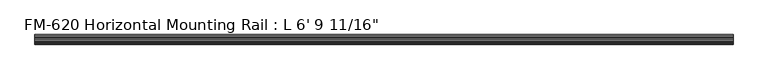
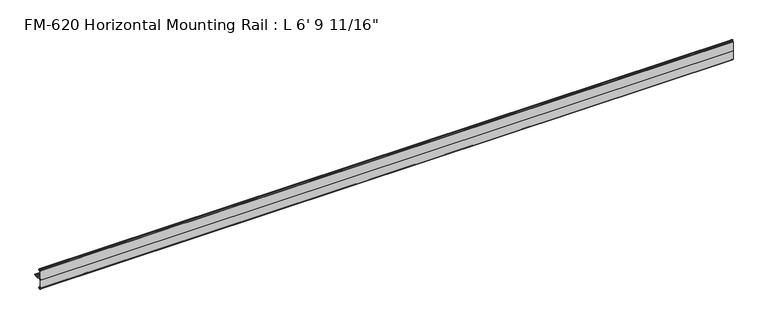
"""IFC4 building model written with IfcOpenShell, lengths in millimetres: proxy geometry."""

from ifc_helpers import new_model, si_unit, frame, origin, place, context, project, spatial, polyline, circle_curve, source, transform, mapped, element, save
from ifc_brep_helpers import plane_surface, cylinder_surface, revolved_surface, advanced_brep


def proxy_b53dea0b(model_context):
    return source(origin(), model_context, "Body", "AdvancedBrep", [
        advanced_brep(
        [(2074.8625, -13.6400687, 32.1158903), (2074.8625, -15.4750158, 32.6885982), (2074.8625, -16.1549378, 32.2686835), (2074.8625, -16.1549378, 30.7270734), (2074.8625, -17.7424378, 29.1395734), (2074.8625, -19.05, 29.1395734), (2074.8625, -19.05, 0.0), (2074.8625, -19.05, -27.5520734), (2074.8625, -17.7424378, -27.5520734), (2074.8625, -16.1549378, -29.1395734), (2074.8625, -16.1549378, -30.6811835), (2074.8625, -15.4750158, -31.1010982), (2074.8625, -13.6400687, -30.5283903), (2074.8625, -11.9462301, -29.2063136), (2074.8625, -13.6400687, -24.7092369), (2074.8625, -15.4364113, -24.1485779), (2074.8625, -16.1779173, -24.8263515), (2074.8625, -16.9376166, -25.7737928), (2074.8625, -17.4625, -25.2660734), (2074.8625, -17.4625, -14.0784614), (2074.8625, -17.9716639, -13.1610418), (2074.8625, -17.9716639, -11.820881), (2074.8625, -17.4625, -10.9034614), (2074.8625, -17.4625, -1.9277595), (2074.8625, -15.5575, -0.0227595), (2074.8625, -5.2021324, -0.0227595), (2074.8625, -2.0526969, 0.0), (2074.8625, 2.484295, 0.0), (2074.8625, 5.633895, 0.0), (2074.8625, 9.5043031, 0.0), (2074.8625, 9.5043031, 1.5948531), (2074.8625, 5.633895, 1.5948531), (2074.8625, 2.484295, 1.5948531), (2074.8625, -2.0525552, 1.5948531), (2074.8625, -5.2023289, 1.5948531), (2074.8625, -15.5546988, 1.5948531), (2074.8625, -17.4681023, 3.5082566), (2074.8625, -17.4681023, 12.4909614), (2074.8625, -17.9716639, 13.408381), (2074.8625, -17.9716639, 14.7485418), (2074.8625, -17.4625, 15.6659614), (2074.8625, -17.4625, 26.8535734), (2074.8625, -16.9376166, 27.3612928), (2074.8625, -16.1779173, 26.4138515), (2074.8625, -15.4364113, 25.7360779), (2074.8625, -13.6400687, 26.2967369), (2074.8625, -11.9462301, 30.7938136), (0.0, -13.6400687, 32.1158903), (0.0, -11.9462301, 30.7938136), (0.0, -13.6400687, 26.2967369), (0.0, -15.4364113, 25.7360779), (0.0, -16.1779173, 26.4138515), (0.0, -16.9376166, 27.3612928), (0.0, -17.4625, 26.8535734), (0.0, -17.4625, 15.6659614), (0.0, -17.9716639, 14.7485418), (0.0, -17.9716639, 13.408381), (0.0, -17.4681023, 12.4909614), (0.0, -17.4681023, 3.5082566), (0.0, -15.5546988, 1.5948531), (0.0, -5.2023289, 1.5948531), (0.0, -2.0525552, 1.5948531), (0.0, 2.484295, 1.5948531), (0.0, 5.633895, 1.5948531), (0.0, 9.5043031, 1.5948531), (0.0, 9.5043031, 0.0), (0.0, 5.633895, 0.0), (0.0, 2.484295, 0.0), (0.0, -2.0526969, 0.0), (0.0, -5.2022969, 0.0), (0.0, -15.5575, -0.0227595), (0.0, -17.4625, -1.9277595), (0.0, -17.4625, -10.9034614), (0.0, -17.9716639, -11.820881), (0.0, -17.9716639, -13.1610418), (0.0, -17.4625, -14.0784614), (0.0, -17.4625, -25.2660734), (0.0, -16.9376166, -25.7737928), (0.0, -16.1779173, -24.8263515), (0.0, -15.4364113, -24.1485779), (0.0, -13.6400687, -24.7092369), (0.0, -11.9462301, -29.2063136), (0.0, -13.6400687, -30.5283903), (0.0, -15.4750158, -31.1010982), (0.0, -16.1549378, -30.6811835), (0.0, -16.1549378, -29.1395734), (0.0, -17.7424378, -27.5520734), (0.0, -19.05, -27.5520734), (0.0, -19.05, 0.0), (0.0, -19.05, 29.1395734), (0.0, -17.7424378, 29.1395734), (0.0, -16.1549378, 30.7270734), (0.0, -16.1549378, 32.2686835), (0.0, -15.4750158, 32.6885982)],
        [
            (0, 1),
            (1, 2, circle_curve(frame((2074.8625, -15.6853088, 32.2686835), z_axis=(1.0, 0.0, 0.0), x_axis=(0.0, 1.0, 0.0)), 0.4696291)),
            (2, 3),
            (3, 4, circle_curve(frame((2074.8625, -17.7424378, 30.7270734), z_axis=(-1.0, 0.0, 0.0), x_axis=(0.0, 1.0, 0.0)), 1.5875)),
            (4, 5),
            (5, 6),
            (6, 7),
            (7, 8),
            (8, 9, circle_curve(frame((2074.8625, -17.7424378, -29.1395734), z_axis=(-1.0, 0.0, 0.0), x_axis=(0.0, 1.0, 0.0)), 1.5875)),
            (9, 10),
            (10, 11, circle_curve(frame((2074.8625, -15.6853088, -30.6811835), z_axis=(1.0, 0.0, 0.0), x_axis=(0.0, 1.0, 0.0)), 0.4696291)),
            (11, 12),
            (12, 13, circle_curve(frame((2074.8625, -14.5481808, -27.6188136), z_axis=(1.0, 0.0, 0.0), x_axis=(0.0, 1.0, 0.0)), 3.048)),
            (13, 14, circle_curve(frame((2074.8625, -14.5481808, -27.6188136), z_axis=(1.0, 0.0, 0.0), x_axis=(0.0, 1.0, 0.0)), 3.048)),
            (14, 15),
            (15, 16, circle_curve(frame((2074.8625, -15.6245238, -24.6872792), z_axis=(1.0, 0.0, 0.0), x_axis=(0.0, 1.0, 0.0)), 0.5706009)),
            (16, 17, circle_curve(frame((2074.8625, -16.9169378, -25.0120734), z_axis=(-1.0, 0.0, 0.0), x_axis=(0.0, 1.0, 0.0)), 0.762)),
            (17, 18, circle_curve(frame((2074.8625, -16.9545, -25.2660734), z_axis=(-1.0, 0.0, 0.0), x_axis=(0.0, 1.0, 0.0)), 0.508)),
            (18, 19),
            (19, 20),
            (20, 21),
            (21, 22),
            (22, 23),
            (23, 24, circle_curve(frame((2074.8625, -15.5575, -1.9277595), z_axis=(-1.0, 0.0, 0.0), x_axis=(0.0, 1.0, 0.0)), 1.905)),
            (24, 25),
            (25, 26, circle_curve(frame((2074.8625, -3.6274969, 0.0), z_axis=(1.0, 0.0, 0.0), x_axis=(0.0, 1.0, 0.0)), 1.5748)),
            (26, 27),
            (27, 28, circle_curve(frame((2074.8625, 4.059095, 0.0), z_axis=(1.0, 0.0, 0.0), x_axis=(0.0, 1.0, 0.0)), 1.5748)),
            (28, 29),
            (29, 30),
            (30, 31),
            (31, 32, circle_curve(frame((2074.8625, 4.059095, 1.5948531), z_axis=(1.0, 0.0, 0.0), x_axis=(0.0, 1.0, 0.0)), 1.5748)),
            (32, 33),
            (33, 34, circle_curve(frame((2074.8625, -3.627442, 1.5948531), z_axis=(1.0, 0.0, 0.0), x_axis=(0.0, 1.0, 0.0)), 1.5748869)),
            (34, 35),
            (35, 36, circle_curve(frame((2074.8625, -15.5546988, 3.5082566), z_axis=(-1.0, 0.0, 0.0), x_axis=(0.0, 1.0, 0.0)), 1.9134035)),
            (36, 37),
            (37, 38),
            (38, 39),
            (39, 40),
            (40, 41),
            (41, 42, circle_curve(frame((2074.8625, -16.9545, 26.8535734), z_axis=(-1.0, 0.0, 0.0), x_axis=(0.0, 1.0, 0.0)), 0.508)),
            (42, 43, circle_curve(frame((2074.8625, -16.9169378, 26.5995734), z_axis=(-1.0, 0.0, 0.0), x_axis=(0.0, 1.0, 0.0)), 0.762)),
            (43, 44, circle_curve(frame((2074.8625, -15.6245238, 26.2747792), z_axis=(1.0, 0.0, 0.0), x_axis=(0.0, 1.0, 0.0)), 0.5706009)),
            (44, 45),
            (45, 46, circle_curve(frame((2074.8625, -14.5481808, 29.2063136), z_axis=(1.0, 0.0, 0.0), x_axis=(0.0, 1.0, 0.0)), 3.048)),
            (46, 0, circle_curve(frame((2074.8625, -14.5481808, 29.2063136), z_axis=(1.0, 0.0, 0.0), x_axis=(0.0, 1.0, 0.0)), 3.048)),
            (47, 48, circle_curve(frame((0.0, -14.5481808, 29.2063136), z_axis=(-1.0, 0.0, 0.0), x_axis=(0.0, 1.0, 0.0)), 3.048)),
            (48, 49, circle_curve(frame((0.0, -14.5481808, 29.2063136), z_axis=(-1.0, 0.0, 0.0), x_axis=(0.0, 1.0, 0.0)), 3.048)),
            (49, 50),
            (50, 51, circle_curve(frame((0.0, -15.6245238, 26.2747792), z_axis=(-1.0, 0.0, 0.0), x_axis=(0.0, 1.0, 0.0)), 0.5706009)),
            (51, 52, circle_curve(frame((0.0, -16.9169378, 26.5995734), z_axis=(1.0, 0.0, 0.0), x_axis=(0.0, 1.0, 0.0)), 0.762)),
            (52, 53, circle_curve(frame((0.0, -16.9545, 26.8535734), z_axis=(1.0, 0.0, 0.0), x_axis=(0.0, 1.0, 0.0)), 0.508)),
            (53, 54),
            (54, 55),
            (55, 56),
            (56, 57),
            (57, 58),
            (58, 59, circle_curve(frame((0.0, -15.5546988, 3.5082566), z_axis=(1.0, 0.0, 0.0), x_axis=(0.0, 1.0, 0.0)), 1.9134035)),
            (59, 60),
            (60, 61, circle_curve(frame((0.0, -3.627442, 1.5948531), z_axis=(-1.0, 0.0, 0.0), x_axis=(0.0, 1.0, 0.0)), 1.5748869)),
            (61, 62),
            (62, 63, circle_curve(frame((0.0, 4.059095, 1.5948531), z_axis=(-1.0, 0.0, 0.0), x_axis=(0.0, 1.0, 0.0)), 1.5748)),
            (63, 64),
            (64, 65),
            (65, 66),
            (66, 67, circle_curve(frame((0.0, 4.059095, 0.0), z_axis=(-1.0, 0.0, 0.0), x_axis=(0.0, 1.0, 0.0)), 1.5748)),
            (67, 68),
            (68, 69, circle_curve(frame((0.0, -3.6274969, 0.0), z_axis=(-1.0, 0.0, 0.0), x_axis=(0.0, 1.0, 0.0)), 1.5748)),
            (69, 70),
            (70, 71, circle_curve(frame((0.0, -15.5575, -1.9277595), z_axis=(1.0, 0.0, 0.0), x_axis=(0.0, 1.0, 0.0)), 1.905)),
            (71, 72),
            (72, 73),
            (73, 74),
            (74, 75),
            (75, 76),
            (76, 77, circle_curve(frame((0.0, -16.9545, -25.2660734), z_axis=(1.0, 0.0, 0.0), x_axis=(0.0, 1.0, 0.0)), 0.508)),
            (77, 78, circle_curve(frame((0.0, -16.9169378, -25.0120734), z_axis=(1.0, 0.0, 0.0), x_axis=(0.0, 1.0, 0.0)), 0.762)),
            (78, 79, circle_curve(frame((0.0, -15.6245238, -24.6872792), z_axis=(-1.0, 0.0, 0.0), x_axis=(0.0, 1.0, 0.0)), 0.5706009)),
            (79, 80),
            (80, 81, circle_curve(frame((0.0, -14.5481808, -27.6188136), z_axis=(-1.0, 0.0, 0.0), x_axis=(0.0, 1.0, 0.0)), 3.048)),
            (81, 82, circle_curve(frame((0.0, -14.5481808, -27.6188136), z_axis=(-1.0, 0.0, 0.0), x_axis=(0.0, 1.0, 0.0)), 3.048)),
            (82, 83),
            (83, 84, circle_curve(frame((0.0, -15.6853088, -30.6811835), z_axis=(-1.0, 0.0, 0.0), x_axis=(0.0, 1.0, 0.0)), 0.4696291)),
            (84, 85),
            (85, 86, circle_curve(frame((0.0, -17.7424378, -29.1395734), z_axis=(1.0, 0.0, 0.0), x_axis=(0.0, 1.0, 0.0)), 1.5875)),
            (86, 87),
            (87, 88),
            (88, 89),
            (89, 90),
            (90, 91, circle_curve(frame((0.0, -17.7424378, 30.7270734), z_axis=(1.0, 0.0, 0.0), x_axis=(0.0, 1.0, 0.0)), 1.5875)),
            (91, 92),
            (92, 93, circle_curve(frame((0.0, -15.6853088, 32.2686835), z_axis=(-1.0, 0.0, 0.0), x_axis=(0.0, 1.0, 0.0)), 0.4696291)),
            (93, 47),
            (93, 1),
            (0, 47),
            (92, 2),
            (91, 3),
            (90, 4),
            (89, 5),
            (88, 6),
            (58, 36),
            (35, 59),
            (57, 37),
            (56, 38),
            (55, 39),
            (54, 40),
            (53, 41),
            (52, 42),
            (51, 43),
            (50, 44),
            (49, 45),
            (48, 46),
            (61, 33),
            (32, 62),
            (87, 7),
            (86, 8),
            (85, 9),
            (84, 10),
            (83, 11),
            (82, 12),
            (81, 13),
            (80, 14),
            (79, 15),
            (78, 16),
            (77, 17),
            (76, 18),
            (75, 19),
            (74, 20),
            (73, 21),
            (72, 22),
            (71, 23),
            (70, 24),
            (69, 25),
            (67, 27),
            (26, 68),
            (34, 60),
            (66, 28),
            (65, 29),
            (64, 30),
            (63, 31),
        ],
        [
            plane_surface(frame((2074.8625, -13.6400687, 32.1158903), z_axis=(1.0000000000000002, 0.0, 0.0), x_axis=(0.0, 0.9545855229405112, -0.29793703930929905))),
            plane_surface(frame((0.0, -13.6400687, 32.1158903), z_axis=(-1.0000000000000002, 0.0, 0.0), x_axis=(0.0, -0.9545855229405112, 0.29793703930929905))),
            plane_surface(frame((0.0, -13.6400687, 32.1158903), z_axis=(0.0, 0.29793703930929905, 0.9545855229405112), x_axis=(1.0, 0.0, 0.0))),
            cylinder_surface(frame((2074.8625, -15.6853088, 32.2686835), z_axis=(-1.0, 0.0, 0.0), x_axis=(0.0, 1.0, 0.0)), 0.4696291),
            plane_surface(frame((0.0, -16.1549378, 32.2686835), z_axis=(0.0, -1.0, 0.0), x_axis=(1.0, 0.0, 0.0))),
            revolved_surface(polyline([(2074.8625, -16.154937800000003, 30.7270734), (0.0, -16.154937800000003, 30.7270734)]), (2074.8625, -17.7424378, 30.7270734), (1.0, 0.0, 0.0)),
            plane_surface(frame((0.0, -17.7424378, 29.1395734), z_axis=(0.0, 0.0, 1.0), x_axis=(1.0, 0.0, 0.0))),
            plane_surface(frame((0.0, -19.05, 29.1395734), z_axis=(0.0, -1.0, 0.0), x_axis=(1.0, 0.0, 0.0))),
            revolved_surface(polyline([(2074.8625, -13.641295300000001, 3.5082566), (0.0, -13.641295300000001, 3.5082566)]), (2074.8625, -15.5546988, 3.5082566), (1.0, 0.0, 0.0)),
            plane_surface(frame((0.0, -17.4681023, 3.5082566), z_axis=(0.0, 1.0, 0.0), x_axis=(1.0, 0.0, 0.0))),
            plane_surface(frame((0.0, -17.4681023, 12.4909614), z_axis=(0.0, 0.8766268538755736, 0.48117082108562426), x_axis=(1.0, 0.0, 0.0))),
            plane_surface(frame((0.0, -17.9716639, 13.408381), z_axis=(0.0, 1.0, 0.0), x_axis=(1.0, 0.0, 0.0))),
            plane_surface(frame((0.0, -17.9716639, 14.7485418), z_axis=(0.0, 0.8743650453416105, -0.4852687579937157), x_axis=(1.0, 0.0, 0.0))),
            plane_surface(frame((0.0, -17.4625, 15.6659614), z_axis=(0.0, 1.0, 0.0), x_axis=(1.0, 0.0, 0.0))),
            revolved_surface(polyline([(2074.8625, -16.4465, 26.8535734), (0.0, -16.4465, 26.8535734)]), (2074.8625, -16.9545, 26.8535734), (1.0, 0.0, 0.0)),
            revolved_surface(polyline([(2074.8625, -16.1549378, 26.5995734), (0.0, -16.1549378, 26.5995734)]), (2074.8625, -16.9169378, 26.5995734), (1.0, 0.0, 0.0)),
            cylinder_surface(frame((2074.8625, -15.6245238, 26.2747792), z_axis=(-1.0, 0.0, 0.0), x_axis=(0.0, 1.0, 0.0)), 0.5706009),
            plane_surface(frame((0.0, -15.4364113, 25.7360779), z_axis=(0.0, 0.2979370393101009, -0.9545855229402609), x_axis=(1.0, 0.0, 0.0))),
            cylinder_surface(frame((2074.8625, -14.5481808, 29.2063136), z_axis=(-1.0, 0.0, 0.0), x_axis=(0.0, 1.0, 0.0)), 3.048),
            plane_surface(frame((0.0, 2.484295, 1.5948531), z_axis=(0.0, 0.0, 1.0), x_axis=(1.0, 0.0, 0.0))),
            plane_surface(frame((0.0, -19.05, 0.0), z_axis=(0.0, -1.0, 0.0), x_axis=(1.0, 0.0, 0.0))),
            plane_surface(frame((0.0, -19.05, -27.5520734), z_axis=(0.0, 0.0, -1.0), x_axis=(1.0, 0.0, 0.0))),
            revolved_surface(polyline([(2074.8625, -16.154937800000003, -29.1395734), (0.0, -16.154937800000003, -29.1395734)]), (2074.8625, -17.7424378, -29.1395734), (1.0, 0.0, 0.0)),
            plane_surface(frame((0.0, -16.1549378, -29.1395734), z_axis=(0.0, -1.0, 0.0), x_axis=(1.0, 0.0, 0.0))),
            cylinder_surface(frame((2074.8625, -15.6853088, -30.6811835), z_axis=(-1.0, 0.0, 0.0), x_axis=(0.0, 1.0, 0.0)), 0.4696291),
            plane_surface(frame((0.0, -15.4750158, -31.1010982), z_axis=(0.0, 0.2979370393090683, -0.9545855229405833), x_axis=(1.0, 0.0, 0.0))),
            cylinder_surface(frame((2074.8625, -14.5481808, -27.6188136), z_axis=(-1.0, 0.0, 0.0), x_axis=(0.0, 1.0, 0.0)), 3.048),
            plane_surface(frame((0.0, -13.6400687, -24.7092369), z_axis=(0.0, 0.2979370393424987, 0.9545855229301492), x_axis=(1.0, 0.0, 0.0))),
            cylinder_surface(frame((2074.8625, -15.6245238, -24.6872792), z_axis=(-1.0, 0.0, 0.0), x_axis=(0.0, 1.0, 0.0)), 0.5706009),
            revolved_surface(polyline([(2074.8625, -16.1549378, -25.0120734), (0.0, -16.1549378, -25.0120734)]), (2074.8625, -16.9169378, -25.0120734), (1.0, 0.0, 0.0)),
            revolved_surface(polyline([(2074.8625, -16.4465, -25.2660734), (0.0, -16.4465, -25.2660734)]), (2074.8625, -16.9545, -25.2660734), (1.0, 0.0, 0.0)),
            plane_surface(frame((0.0, -17.4625, -25.2660734), z_axis=(0.0, 1.0, 0.0), x_axis=(1.0, 0.0, 0.0))),
            plane_surface(frame((0.0, -17.4625, -14.0784614), z_axis=(0.0, 0.8743650443696134, 0.48526875974507594), x_axis=(1.0, 0.0, 0.0))),
            plane_surface(frame((0.0, -17.9716639, -13.1610418), z_axis=(0.0, 1.0, 0.0), x_axis=(1.0, 0.0, 0.0))),
            plane_surface(frame((0.0, -17.9716639, -11.820881), z_axis=(0.0, 0.8743650440122003, -0.48526876038906863), x_axis=(1.0, 0.0, 0.0))),
            plane_surface(frame((0.0, -17.4625, -10.9034614), z_axis=(0.0, 1.0, 0.0), x_axis=(1.0, 0.0, 0.0))),
            revolved_surface(polyline([(2074.8625, -13.6525, -1.9277595), (0.0, -13.6525, -1.9277595)]), (2074.8625, -15.5575, -1.9277595), (1.0, 0.0, 0.0)),
            plane_surface(frame((0.0, -15.5575, -0.0227595), z_axis=(0.0, 0.0, -1.0), x_axis=(1.0, 0.0, 0.0))),
            plane_surface(frame((0.0, -2.0526969, 0.0), z_axis=(0.0, 0.0, -1.0), x_axis=(1.0, 0.0, 0.0))),
            plane_surface(frame((0.0, -5.2023289, 1.5948531), z_axis=(0.0, 0.0, 1.0), x_axis=(1.0, 0.0, 0.0))),
            cylinder_surface(frame((2074.8625, -3.6274969, 0.0), z_axis=(-1.0, 0.0, 0.0), x_axis=(0.0, 1.0, 0.0)), 1.5748),
            cylinder_surface(frame((2074.8625, 4.059095, 0.0), z_axis=(-1.0, 0.0, 0.0), x_axis=(0.0, 1.0, 0.0)), 1.5748),
            plane_surface(frame((0.0, 5.633895, 0.0), z_axis=(0.0, 0.0, -1.0), x_axis=(1.0, 0.0, 0.0))),
            plane_surface(frame((0.0, 9.5043031, 0.0), z_axis=(0.0, 1.0, 0.0), x_axis=(1.0, 0.0, 0.0))),
            plane_surface(frame((0.0, 9.5043031, 1.5948531), z_axis=(0.0, 0.0, 1.0), x_axis=(1.0, 0.0, 0.0))),
            cylinder_surface(frame((2074.8625, 4.059095, 1.5948531), z_axis=(-1.0, 0.0, 0.0), x_axis=(0.0, 1.0, 0.0)), 1.5748),
            cylinder_surface(frame((2074.8625, -3.627442, 1.5948531), z_axis=(-1.0, 0.0, 0.0), x_axis=(0.0, 1.0, 0.0)), 1.5748869),
        ],
        [
            (0, [[1, 2, 3, 4, 5, 6, 7, 8, 9, 10, 11, 12, 13, 14, 15, 16, 17, 18, 19, 20, 21, 22, 23, 24, 25, 26, 27, 28, 29, 30, 31, 32, 33, 34, 35, 36, 37, 38, 39, 40, 41, 42, 43, 44, 45, 46, 47]]),
            (1, [[48, 49, 50, 51, 52, 53, 54, 55, 56, 57, 58, 59, 60, 61, 62, 63, 64, 65, 66, 67, 68, 69, 70, 71, 72, 73, 74, 75, 76, 77, 78, 79, 80, 81, 82, 83, 84, 85, 86, 87, 88, 89, 90, 91, 92, 93, 94]]),
            (2, [[95, -1, 96, -94]]),
            (3, [[97, -2, -95, -93]]),
            (4, [[98, -3, -97, -92]]),
            (5, [[99, -4, -98, -91]]),
            (6, [[100, -5, -99, -90]]),
            (7, [[101, -6, -100, -89]]),
            (8, [[102, -36, 103, -59]]),
            (9, [[104, -37, -102, -58]]),
            (10, [[105, -38, -104, -57]]),
            (11, [[106, -39, -105, -56]]),
            (12, [[107, -40, -106, -55]]),
            (13, [[108, -41, -107, -54]]),
            (14, [[109, -42, -108, -53]]),
            (15, [[110, -43, -109, -52]]),
            (16, [[111, -44, -110, -51]]),
            (17, [[112, -45, -111, -50]]),
            (18, [[113, -46, -112, -49]]),
            (18, [[-96, -47, -113, -48]]),
            (19, [[114, -33, 115, -62]]),
            (20, [[116, -7, -101, -88]]),
            (21, [[117, -8, -116, -87]]),
            (22, [[118, -9, -117, -86]]),
            (23, [[119, -10, -118, -85]]),
            (24, [[120, -11, -119, -84]]),
            (25, [[121, -12, -120, -83]]),
            (26, [[122, -13, -121, -82]]),
            (26, [[123, -14, -122, -81]]),
            (27, [[124, -15, -123, -80]]),
            (28, [[125, -16, -124, -79]]),
            (29, [[126, -17, -125, -78]]),
            (30, [[127, -18, -126, -77]]),
            (31, [[128, -19, -127, -76]]),
            (32, [[129, -20, -128, -75]]),
            (33, [[130, -21, -129, -74]]),
            (34, [[131, -22, -130, -73]]),
            (35, [[132, -23, -131, -72]]),
            (36, [[133, -24, -132, -71]]),
            (37, [[134, -25, -133, -70]]),
            (38, [[135, -27, 136, -68]]),
            (39, [[-103, -35, 137, -60]]),
            (40, [[-136, -26, -134, -69]]),
            (41, [[138, -28, -135, -67]]),
            (42, [[139, -29, -138, -66]]),
            (43, [[140, -30, -139, -65]]),
            (44, [[141, -31, -140, -64]]),
            (45, [[-115, -32, -141, -63]]),
            (46, [[-137, -34, -114, -61]]),
        ],
    ),
    ])


if __name__ == "__main__":
    model = new_model("IFC4")
    model_context = context("Model", 3, world=origin())
    ifc_project = project(units=[si_unit("LENGTHUNIT", "METRE", prefix="MILLI")], contexts=[model_context])
    site = spatial("IfcSite", under=ifc_project)
    building = spatial("IfcBuilding", under=site)
    placement = place(None, origin())
    proxy_shape = proxy_b53dea0b(model_context)
    element("IfcBuildingElementProxy", 1, Name="FM-620 Horizontal Mounting Rail : L 6' 9 11/16\"", ObjectType="FM-620 Horizontal Mounting Rail : L 6' 9 11/16\"", at=placement, inside=building, context=model_context, shape_type="MappedRepresentation", body=[
        mapped(proxy_shape, transform((0.0, 0.0, 0.0), x_axis=(1.0, 0.0, 0.0), y_axis=(0.0, 1.0, 0.0), z_axis=(0.0, 0.0, 1.0))),
    ])
    save(model, "model.ifc")
